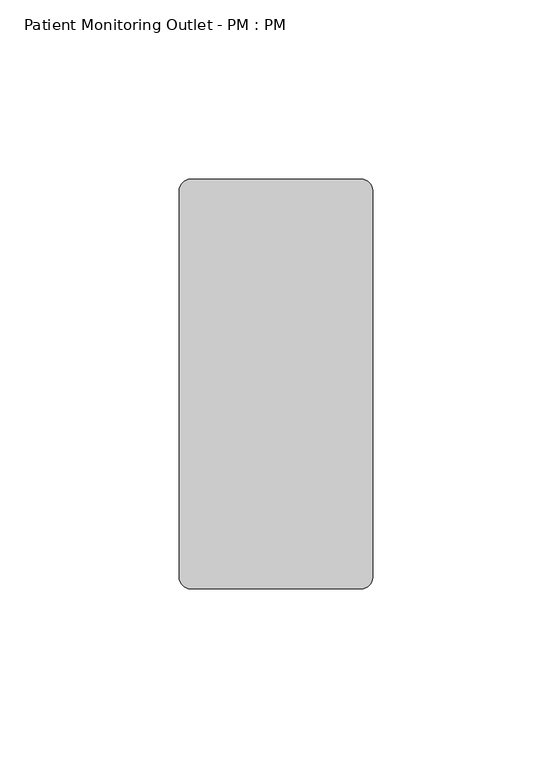
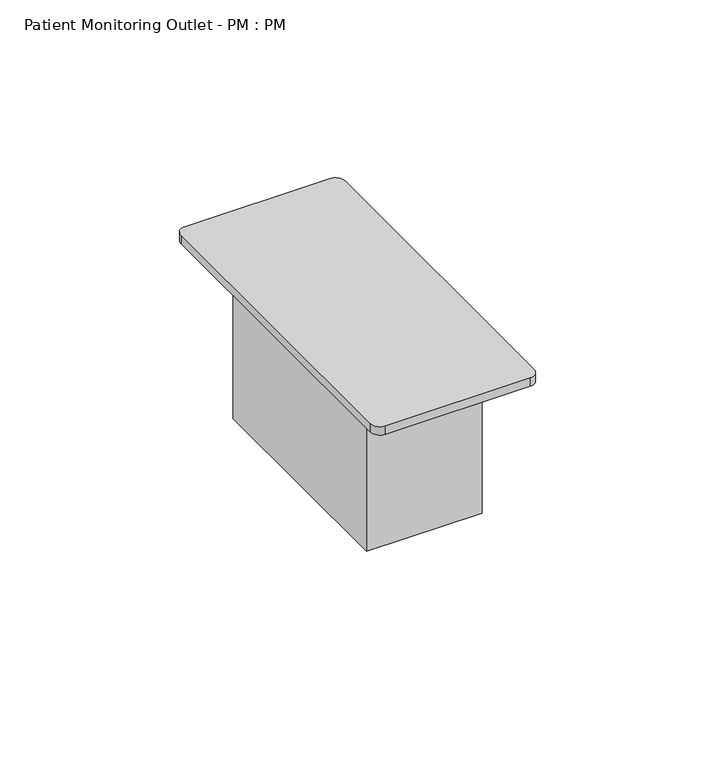
"""IFC4 building model written with IfcOpenShell, lengths in millimetres: proxy geometry, Patient Monitoring Outlet - PM : PM."""

from ifc_helpers import new_model, si_unit, point, frame, frame_2d, origin, origin_with_axes, place, context, project, spatial, polyline, circle_curve, trimmed, segment, composite_curve, outline, extrude, source, transform, mapped, element, save


def patient_monitoring_outlet_pm_pm_89de9f36(model_context):
    return source(origin(), model_context, "Body", "SweptSolid", [
        extrude(outline(polyline([(19.05, 38.1), (19.05, -38.1), (-19.05, -38.1), (-19.05, 38.1), (19.05, 38.1)])), frame((0.0, 0.0, -53.975), z_axis=(0.0, 0.0, 1.0), x_axis=(1.0, 0.0, 0.0)), (0.0, 0.0, 1.0), 53.975),
        extrude(outline(composite_curve([segment(trimmed(circle_curve(frame_2d((-23.8125, -53.975)), 3.175), [point((-23.8125, -57.15))], [point((-26.9875, -53.975))], False, "CARTESIAN"), True, "CONTINUOUS"), segment(polyline([(-26.9875, -53.975), (-26.9875, 53.975)]), True, "CONTINUOUS"), segment(trimmed(circle_curve(frame_2d((-23.8125, 53.975)), 3.175), [point((-26.9875, 53.975))], [point((-23.8125, 57.15))], False, "CARTESIAN"), True, "CONTINUOUS"), segment(polyline([(-23.8125, 57.15), (23.8125, 57.15)]), True, "CONTINUOUS"), segment(trimmed(circle_curve(frame_2d((23.8125, 53.975)), 3.175), [point((23.8125, 57.15))], [point((26.9875, 53.975))], False, "CARTESIAN"), True, "CONTINUOUS"), segment(polyline([(26.9875, 53.975), (26.9875, -53.975)]), True, "CONTINUOUS"), segment(trimmed(circle_curve(frame_2d((23.8125, -53.975)), 3.175), [point((26.9875, -53.975))], [point((23.8125, -57.15))], False, "CARTESIAN"), True, "CONTINUOUS"), segment(polyline([(23.8125, -57.15), (-23.8125, -57.15)]), True, "CONTINUOUS")], self_intersect=False)), origin_with_axes(), (0.0, 0.0, 1.0), 2.9176759),
    ])


if __name__ == "__main__":
    model = new_model("IFC4")
    model_context = context("Model", 3, world=origin())
    ifc_project = project(units=[si_unit("LENGTHUNIT", "METRE", prefix="MILLI")], contexts=[model_context])
    site = spatial("IfcSite", under=ifc_project)
    building = spatial("IfcBuilding", under=site)
    placement = place(None, origin())
    patient_monitoring_outlet_pm_pm_shape = patient_monitoring_outlet_pm_pm_89de9f36(model_context)
    element("IfcBuildingElementProxy", 1, Name="Patient Monitoring Outlet - PM : PM", ObjectType="Patient Monitoring Outlet - PM : PM", at=placement, inside=building, context=model_context, shape_type="MappedRepresentation", body=[
        mapped(patient_monitoring_outlet_pm_pm_shape, transform((0.0, 0.0, 0.0), x_axis=(1.0, 0.0, 0.0), y_axis=(0.0, 1.0, 0.0), z_axis=(0.0, 0.0, 1.0))),
    ])
    save(model, "model.ifc")
